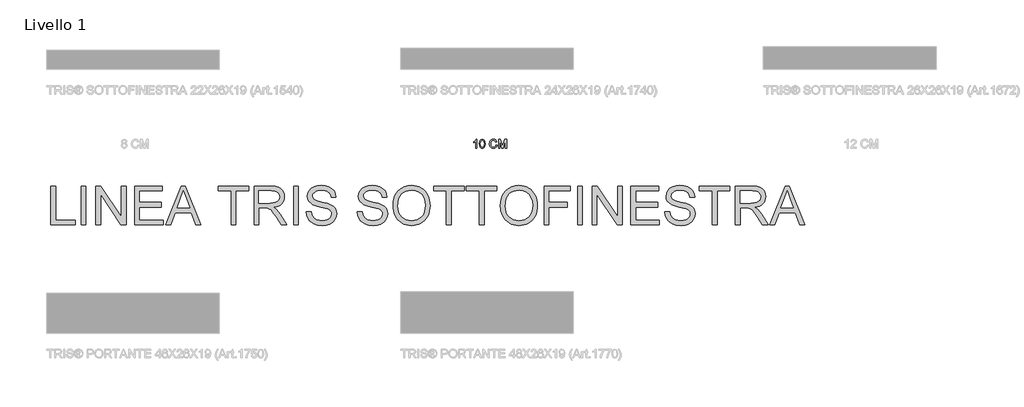
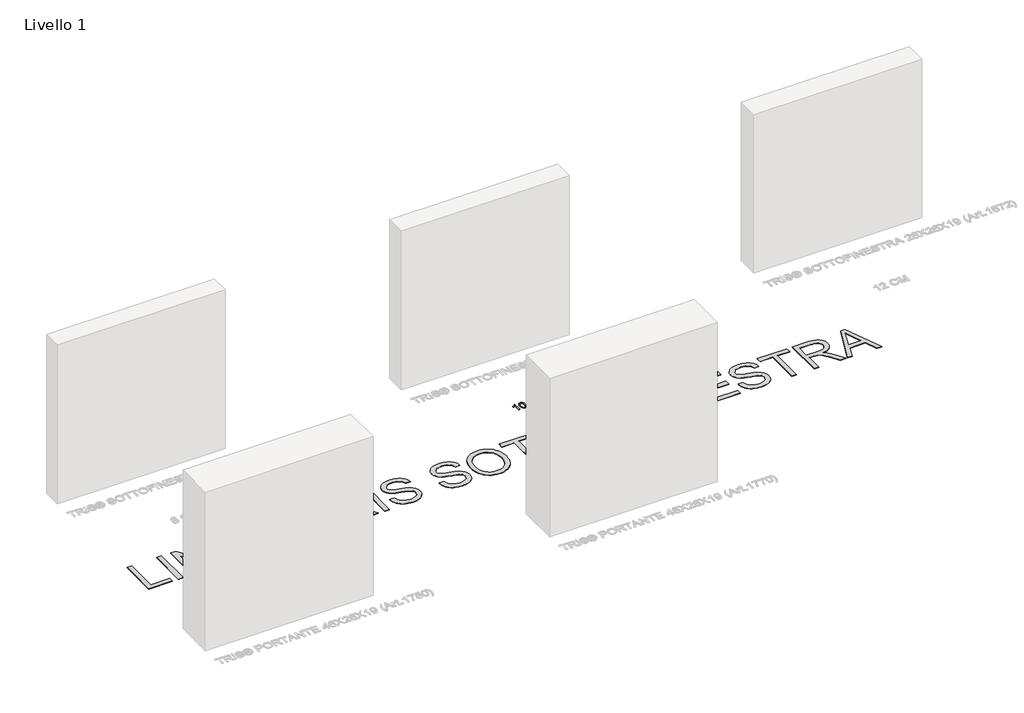
# One storey, part 14 of 19: 2 proxies.
"""IFC4 building model written with IfcOpenShell, lengths in millimetres."""

from ifc_helpers import new_model, si_unit, origin, origin_with_axes, place, context, project, spatial, polyline, outline, extrude, element, save

model = new_model("IFC4")

# Units and contexts
model_context = context("Model", 3, world=origin())
ifc_project = project(units=[si_unit("LENGTHUNIT", "METRE", prefix="MILLI")], contexts=[model_context])

# Site, building, storey
site = spatial("IfcSite", under=ifc_project)
building = spatial("IfcBuilding", under=site)
storey = spatial("IfcBuildingStorey", under=building, Name="Livello 1", Elevation=0.0)

# Proxies
placement = place(None, origin())
element("IfcBuildingElementProxy", 1, Name="100", ObjectType="100", at=placement, inside=storey, context=model_context, shape_type="SweptSolid", body=[
    extrude(outline(polyline([(-254.5753116, 5003.4256456), (-267.1323503, 5003.4256456), (-267.1323503, 5081.7109342), (-279.0272015, 5073.2373856), (-292.2464279, 5066.8975525), (-292.2464279, 5078.7678783), (-273.8400654, 5090.5155766), (-262.6687155, 5103.8819558), (-254.5753116, 5103.8819558), (-254.5753116, 5003.4256456)])), origin_with_axes(), (0.0, 0.0, 1.0), 5.0),
    extrude(outline(polyline([(-224.7523445, 5052.8444603), (-221.0612618, 5081.7477224), (-210.0983783, 5098.4127768), (-191.7901177, 5103.8819558), (-177.1238888, 5100.6445942), (-166.9948712, 5091.3126543), (-161.1087593, 5076.4502217), (-158.827891, 5052.8444603), (-162.4821854, 5024.0638256), (-173.4082807, 5007.361983), (-181.6396403, 5003.2325076), (-191.7901177, 5001.8560158), (-204.8376658, 5004.2472488), (-214.7459542, 5011.4209477), (-222.2507469, 5028.4109645), (-224.7523445, 5052.8444603)]), holes=[polyline([(-212.1953057, 5052.8689858), (-210.7237777, 5033.1167883), (-206.3091938, 5021.6848553), (-199.7363688, 5016.2310048), (-191.7901177, 5014.4130546), (-183.8438666, 5016.2371361), (-177.2710416, 5021.7093808), (-172.8564577, 5033.1474452), (-171.3849297, 5052.8689858), (-172.8074068, 5072.1766592), (-177.0748379, 5083.697497), (-183.6354002, 5089.418062), (-191.9372705, 5091.324917), (-199.7976825, 5089.6449226), (-206.1129901, 5084.6049392), (-210.6747268, 5072.3667315), (-212.1953057, 5052.8689858)])]), origin_with_axes(), (0.0, 0.0, 1.0), 5.0),
    extrude(outline(polyline([(-33.2575033, 5039.1347246), (-20.7004645, 5035.8973631), (-26.4946059, 5021.2648567), (-35.5874226, 5010.5748191), (-47.5313247, 5004.0357166), (-61.8787225, 5001.8560158), (-76.4437838, 5003.5053534), (-88.0106069, 5008.4533662), (-96.876563, 5016.528376), (-103.3390233, 5027.5587045), (-108.5997359, 5054.4140902), (-107.1128795, 5069.0619249), (-102.6523103, 5081.7109342), (-95.4510202, 5091.9595135), (-85.7420012, 5099.4060582), (-74.2272948, 5103.9402038), (-61.6089424, 5105.4515856), (-47.8409587, 5103.4956797), (-36.4580766, 5097.6279619), (-27.8159154, 5088.2101828), (-22.2700943, 5075.6040931), (-34.8271331, 5072.6119862), (-45.127829, 5088.0507673), (-62.0994517, 5092.8945469), (-81.7443502, 5087.5234697), (-92.8421238, 5073.1024955), (-96.0426971, 5054.4386156), (-92.2535126, 5032.8071543), (-80.4567632, 5018.987054), (-63.1295213, 5014.4130546), (-52.6479501, 5015.9704217), (-43.9138184, 5020.642523), (-37.3195336, 5028.3803076), (-33.2575033, 5039.1347246)])), origin_with_axes(), (0.0, 0.0, 1.0), 5.0),
    extrude(outline(polyline([(-3.4345362, 5003.4256456), (-3.4345362, 5103.8819558), (18.1723997, 5103.8819558), (38.7247405, 5033.0769344), (42.8695443, 5018.2880782), (47.3577046, 5034.3032078), (67.5666889, 5103.8819558), (89.1736247, 5103.8819558), (89.1736247, 5003.4256456), (76.616586, 5003.4256456), (76.616586, 5091.324917), (51.3798811, 5003.4256456), (34.3592074, 5003.4256456), (9.1225026, 5091.324917), (9.1225026, 5003.4256456), (-3.4345362, 5003.4256456)])), origin_with_axes(), (0.0, 0.0, 1.0), 5.0),
])
element("IfcBuildingElementProxy", 2, Name="450mm", ObjectType="450mm", at=placement, inside=storey, context=model_context, shape_type="SweptSolid", body=[
    extrude(outline(polyline([(-5187.5307666, 4113.8085904), (-5187.5307666, 4563.4647332), (-5131.3237488, 4563.4647332), (-5131.3237488, 4170.0156083), (-4906.4956774, 4170.0156083), (-4906.4956774, 4113.8085904), (-5187.5307666, 4113.8085904)])), origin_with_axes(), (0.0, 0.0, 1.0), 5.0),
    extrude(outline(polyline([(-4836.2369051, 4113.8085904), (-4836.2369051, 4563.4647332), (-4780.0298872, 4563.4647332), (-4780.0298872, 4113.8085904), (-4836.2369051, 4113.8085904)])), origin_with_axes(), (0.0, 0.0, 1.0), 5.0),
    extrude(outline(polyline([(-4667.6158515, 4113.8085904), (-4667.6158515, 4563.4647332), (-4607.4567777, 4563.4647332), (-4372.5290078, 4207.2308017), (-4372.5290078, 4563.4647332), (-4316.3219899, 4563.4647332), (-4316.3219899, 4113.8085904), (-4376.4810637, 4113.8085904), (-4611.4088336, 4470.1523012), (-4611.4088336, 4113.8085904), (-4667.6158515, 4113.8085904)])), origin_with_axes(), (0.0, 0.0, 1.0), 5.0),
    extrude(outline(polyline([(-4217.9597087, 4113.8085904), (-4217.9597087, 4563.4647332), (-3894.769356, 4563.4647332), (-3894.769356, 4507.2577154), (-4161.7526908, 4507.2577154), (-4161.7526908, 4373.766048), (-3908.8211105, 4373.766048), (-3908.8211105, 4317.5590301), (-4161.7526908, 4317.5590301), (-4161.7526908, 4170.0156083), (-3887.7434788, 4170.0156083), (-3887.7434788, 4113.8085904), (-4217.9597087, 4113.8085904)])), origin_with_axes(), (0.0, 0.0, 1.0), 5.0),
    extrude(outline(polyline([(-3855.7976933, 4113.8085904), (-3676.3084859, 4563.4647332), (-3628.4446972, 4563.4647332), (-3448.9554898, 4113.8085904), (-3508.3461083, 4113.8085904), (-3559.8326149, 4254.326135), (-3745.0303475, 4254.326135), (-3796.4070748, 4113.8085904), (-3855.7976933, 4113.8085904)]), holes=[polyline([(-3724.3918332, 4310.5331529), (-3580.3613499, 4310.5331529), (-3620.8699233, 4421.0809399), (-3652.3765915, 4507.2577154), (-3680.3703211, 4430.7415211), (-3724.3918332, 4310.5331529)])]), origin_with_axes(), (0.0, 0.0, 1.0), 5.0),
    extrude(outline(polyline([(-3100.8452289, 4113.8085904), (-3100.8452289, 4507.2577154), (-3248.3886507, 4507.2577154), (-3248.3886507, 4563.4647332), (-2897.0947892, 4563.4647332), (-2897.0947892, 4507.2577154), (-3044.638211, 4507.2577154), (-3044.638211, 4113.8085904), (-3100.8452289, 4113.8085904)])), origin_with_axes(), (0.0, 0.0, 1.0), 5.0),
    extrude(outline(polyline([(-2833.8618941, 4113.8085904), (-2833.8618941, 4563.4647332), (-2640.1013735, 4563.4647332), (-2588.0248031, 4560.4320792), (-2550.1372112, 4551.3341171), (-2522.4453748, 4534.5378793), (-2500.9560706, 4508.4103984), (-2487.165042, 4476.0117731), (-2482.5680325, 4440.4021023), (-2484.4720178, 4417.3072754), (-2490.1839736, 4396.106142), (-2499.7039001, 4376.798702), (-2513.0317971, 4359.3849555), (-2530.3391948, 4344.4206604), (-2551.7976236, 4332.4615744), (-2577.4070833, 4323.5076977), (-2607.167574, 4317.5590301), (-2575.2217885, 4293.5173565), (-2529.6633658, 4235.6636486), (-2454.6840822, 4113.8085904), (-2520.0027846, 4113.8085904), (-2578.5151684, 4207.0112431), (-2620.7802112, 4268.7072275), (-2636.492378, 4286.6973155), (-2650.4755204, 4297.8536401), (-2677.2067877, 4308.5571249), (-2709.8112492, 4310.5331529), (-2777.6548762, 4310.5331529), (-2777.6548762, 4113.8085904), (-2833.8618941, 4113.8085904)]), holes=[polyline([(-2777.6548762, 4366.7401707), (-2651.847762, 4366.7401707), (-2615.7166395, 4368.7299211), (-2587.6817426, 4374.6991723), (-2566.5766661, 4385.0458743), (-2551.2350045, 4400.1679773), (-2541.8900389, 4418.4599584), (-2538.7750504, 4438.316295), (-2540.2605019, 4452.6905263), (-2544.7168567, 4465.7336831), (-2562.5422757, 4487.8267736), (-2576.1514822, 4496.3278107), (-2593.2118765, 4502.3999799), (-2637.6862283, 4507.2577154), (-2777.6548762, 4507.2577154), (-2777.6548762, 4366.7401707)])]), origin_with_axes(), (0.0, 0.0, 1.0), 5.0),
    extrude(outline(polyline([(-2377.179874, 4113.8085904), (-2377.179874, 4563.4647332), (-2320.9728562, 4563.4647332), (-2320.9728562, 4113.8085904), (-2377.179874, 4113.8085904)])), origin_with_axes(), (0.0, 0.0, 1.0), 5.0),
    extrude(outline(polyline([(-2229.6364522, 4268.3778895), (-2173.4294343, 4268.3778895), (-2166.9798986, 4237.1868369), (-2155.3158446, 4212.115982), (-2137.1199203, 4192.2184781), (-2111.0747739, 4176.5474785), (-2079.2387677, 4166.3791679), (-2043.6702642, 4162.989731), (-2012.3557098, 4165.5558229), (-1984.9383217, 4173.2540985), (-1962.7217294, 4185.4396044), (-1947.0095626, 4201.4673868), (-1937.664597, 4219.8691473), (-1934.5496084, 4239.1765873), (-1936.8824192, 4257.9900202), (-1943.8808516, 4274.2510837), (-1958.0972751, 4288.1244468), (-1982.0840591, 4299.7747784), (-2063.9245509, 4321.2366377), (-2117.6478114, 4335.4393388), (-2152.0224646, 4348.955919), (-2180.0024718, 4367.8654089), (-2199.8313636, 4390.7818444), (-2211.6463642, 4417.2112185), (-2215.5846977, 4446.6595242), (-2210.7132399, 4479.5796014), (-2196.0988663, 4510.276647), (-2172.1258047, 4536.2943486), (-2139.1782828, 4555.1763937), (-2099.6302785, 4566.6620563), (-2055.85577, 4570.4906105), (-2008.4310987, 4566.4836648), (-1966.9345113, 4554.462828), (-1932.8480288, 4534.6751035), (-1907.6536722, 4507.3674947), (-1891.7082242, 4474.2415813), (-1885.3684678, 4436.9989431), (-1941.5754857, 4436.9989431), (-1945.3354278, 4454.9341414), (-1951.8947429, 4470.5365289), (-1961.2534309, 4483.8061056), (-1973.4114919, 4494.7428715), (-1988.5953457, 4503.291937), (-2007.0314122, 4509.3984123), (-2053.6601834, 4514.2835926), (-2101.3867479, 4509.453302), (-2119.6307005, 4503.4154388), (-2134.1284335, 4494.9624302), (-2153.0653683, 4473.637795), (-2157.799602, 4461.4728728), (-2159.3776798, 4448.3062142), (-2154.9041721, 4426.7071307), (-2141.4836488, 4409.3345515), (-2109.7574219, 4393.800776), (-2049.7081274, 4377.9376626), (-1987.7376947, 4362.8704493), (-1950.2480529, 4349.7243743), (-1918.2062104, 4329.3328634), (-1895.852394, 4304.1659516), (-1882.7200414, 4274.4980872), (-1878.3425906, 4240.6037186), (-1883.3787174, 4205.954617), (-1898.487098, 4173.3638779), (-1923.0502234, 4145.3152586), (-1956.4505851, 4124.2925166), (-1996.6160981, 4111.160164), (-2041.4746776, 4106.7827132), (-2096.5427348, 4111.5032244), (-2141.8678764, 4125.6647582), (-2161.0072168, 4136.299631), (-2177.9715542, 4149.3222042), (-2192.7608885, 4164.7324779), (-2205.3752198, 4182.5304521), (-2222.9673578, 4222.9841358), (-2229.6364522, 4268.3778895)])), origin_with_axes(), (0.0, 0.0, 1.0), 5.0),
    extrude(outline(polyline([(-1639.4627647, 4268.3778895), (-1583.2557469, 4268.3778895), (-1576.8062111, 4237.1868369), (-1565.1421571, 4212.115982), (-1546.9462329, 4192.2184781), (-1520.9010864, 4176.5474785), (-1489.0650802, 4166.3791679), (-1453.4965767, 4162.989731), (-1422.1820224, 4165.5558229), (-1394.7646343, 4173.2540985), (-1372.548042, 4185.4396044), (-1356.8358751, 4201.4673868), (-1347.4909095, 4219.8691473), (-1344.375921, 4239.1765873), (-1346.7087318, 4257.9900202), (-1353.7071642, 4274.2510837), (-1367.9235877, 4288.1244468), (-1391.9103716, 4299.7747784), (-1473.7508634, 4321.2366377), (-1527.4741239, 4335.4393388), (-1561.8487772, 4348.955919), (-1589.8287844, 4367.8654089), (-1609.6576761, 4390.7818444), (-1621.4726767, 4417.2112185), (-1625.4110103, 4446.6595242), (-1620.5395524, 4479.5796014), (-1605.9251789, 4510.276647), (-1581.9521173, 4536.2943486), (-1549.0045954, 4555.1763937), (-1509.4565911, 4566.6620563), (-1465.6820826, 4570.4906105), (-1418.2574113, 4566.4836648), (-1376.7608239, 4554.462828), (-1342.6743413, 4534.6751035), (-1317.4799847, 4507.3674947), (-1301.5345368, 4474.2415813), (-1295.1947804, 4436.9989431), (-1351.4017982, 4436.9989431), (-1355.1617403, 4454.9341414), (-1361.7210554, 4470.5365289), (-1371.0797434, 4483.8061056), (-1383.2378044, 4494.7428715), (-1398.4216582, 4503.291937), (-1416.8577248, 4509.3984123), (-1463.4864959, 4514.2835926), (-1511.2130604, 4509.453302), (-1529.4570131, 4503.4154388), (-1543.9547461, 4494.9624302), (-1562.8916808, 4473.637795), (-1567.6259145, 4461.4728728), (-1569.2039924, 4448.3062142), (-1564.7304846, 4426.7071307), (-1551.3099613, 4409.3345515), (-1519.5837345, 4393.800776), (-1459.53444, 4377.9376626), (-1397.5640072, 4362.8704493), (-1360.0743654, 4349.7243743), (-1328.032523, 4329.3328634), (-1305.6787066, 4304.1659516), (-1292.546354, 4274.4980872), (-1288.1689031, 4240.6037186), (-1293.20503, 4205.954617), (-1308.3134105, 4173.3638779), (-1332.876536, 4145.3152586), (-1366.2768977, 4124.2925166), (-1406.4424107, 4111.160164), (-1451.3009901, 4106.7827132), (-1506.3690474, 4111.5032244), (-1551.694189, 4125.6647582), (-1570.8335294, 4136.299631), (-1587.7978667, 4149.3222042), (-1602.5872011, 4164.7324779), (-1615.2015324, 4182.5304521), (-1632.7936703, 4222.9841358), (-1639.4627647, 4268.3778895)])), origin_with_axes(), (0.0, 0.0, 1.0), 5.0),
    extrude(outline(polyline([(-1224.9360081, 4332.7085779), (-1221.1897884, 4385.4506856), (-1209.9511293, 4432.1412076), (-1191.2200308, 4472.780144), (-1164.9964929, 4507.3674947), (-1132.8517323, 4534.9838578), (-1096.3569658, 4554.7098315), (-1055.5121931, 4566.5454157), (-1010.3174145, 4570.4906105), (-980.0663474, 4568.6380842), (-951.3384685, 4563.0805056), (-924.1337779, 4553.8178744), (-898.4522755, 4540.8501909), (-875.0143881, 4524.5685437), (-854.5405428, 4505.3640219), (-837.0307393, 4483.2366253), (-822.4849779, 4458.1863541), (-811.054205, 4430.7826884), (-802.8893672, 4401.5951086), (-797.9904645, 4370.6236146), (-796.3574969, 4337.8682065), (-798.0762296, 4304.6805423), (-803.2324276, 4273.2905146), (-811.8260909, 4243.6981235), (-823.8572195, 4215.9033689), (-839.0410734, 4190.6404002), (-857.0929122, 4168.6433666), (-878.0127361, 4149.9122681), (-901.8005451, 4134.4471048), (-927.5197841, 4122.3439334), (-954.2338984, 4113.6988111), (-981.9428878, 4108.5117376), (-1010.6467525, 4106.7827132), (-1041.4261326, 4108.6935597), (-1070.531378, 4114.4260991), (-1097.9624885, 4123.9803316), (-1123.7194642, 4137.3562571), (-1147.1299067, 4154.0358543), (-1167.5214176, 4173.501102), (-1184.8939968, 4195.7520003), (-1199.2476444, 4220.7885492), (-1210.4863035, 4247.6055816), (-1218.5139171, 4275.1979305), (-1223.3304853, 4303.5655959), (-1224.9360081, 4332.7085779)]), holes=[polyline([(-1168.7289902, 4332.1596812), (-1165.9193254, 4294.8964593), (-1157.4903311, 4261.8185744), (-1143.4420073, 4232.9260266), (-1123.7743539, 4208.2188157), (-1099.8664738, 4188.4310912), (-1073.0974698, 4174.2970022), (-1043.4673421, 4165.8165488), (-1010.9760905, 4162.989731), (-977.929081, 4165.8439936), (-947.9490317, 4174.4067815), (-921.0359424, 4188.6780947), (-897.1898131, 4208.657933), (-877.6662451, 4233.8865957), (-863.7208394, 4263.9043817), (-855.3535959, 4298.7112911), (-852.5645148, 4338.3073238), (-857.3399157, 4388.0648059), (-871.6661185, 4431.0708591), (-895.1726179, 4466.2414125), (-927.4889087, 4492.4923952), (-966.4742939, 4508.8357933), (-1009.9880765, 4514.2835926), (-1041.3506593, 4511.6591804), (-1070.4490435, 4503.785944), (-1097.2832289, 4490.6638833), (-1121.8532155, 4472.2929982), (-1142.361367, 4447.788193), (-1157.0100465, 4416.2643718), (-1165.7992543, 4377.7215345), (-1168.7289902, 4332.1596812)])]), origin_with_axes(), (0.0, 0.0, 1.0), 5.0),
    extrude(outline(polyline([(-606.6588117, 4113.8085904), (-606.6588117, 4507.2577154), (-754.2022335, 4507.2577154), (-754.2022335, 4563.4647332), (-402.908372, 4563.4647332), (-402.908372, 4507.2577154), (-550.4517938, 4507.2577154), (-550.4517938, 4113.8085904), (-606.6588117, 4113.8085904)])), origin_with_axes(), (0.0, 0.0, 1.0), 5.0),
    extrude(outline(polyline([(-227.2614412, 4113.8085904), (-227.2614412, 4507.2577154), (-374.804863, 4507.2577154), (-374.804863, 4563.4647332), (-23.5110015, 4563.4647332), (-23.5110015, 4507.2577154), (-171.0544233, 4507.2577154), (-171.0544233, 4113.8085904), (-227.2614412, 4113.8085904)])), origin_with_axes(), (0.0, 0.0, 1.0), 5.0),
    extrude(outline(polyline([(18.6442619, 4332.7085779), (22.3904816, 4385.4506856), (33.6291407, 4432.1412076), (52.3602392, 4472.780144), (78.5837771, 4507.3674947), (110.7285376, 4534.9838578), (147.2233042, 4554.7098315), (188.0680768, 4566.5454157), (233.2628555, 4570.4906105), (263.5139226, 4568.6380842), (292.2418015, 4563.0805056), (319.4464921, 4553.8178744), (345.1279945, 4540.8501909), (368.5658819, 4524.5685437), (389.0397272, 4505.3640219), (406.5495306, 4483.2366253), (421.0952921, 4458.1863541), (432.526065, 4430.7826884), (440.6909028, 4401.5951086), (445.5898055, 4370.6236146), (447.222773, 4337.8682065), (445.5040404, 4304.6805423), (440.3478424, 4273.2905146), (431.7541791, 4243.6981235), (419.7230504, 4215.9033689), (404.5391966, 4190.6404002), (386.4873578, 4168.6433666), (365.5675339, 4149.9122681), (341.7797249, 4134.4471048), (316.0604858, 4122.3439334), (289.3463716, 4113.6988111), (261.6373821, 4108.5117376), (232.9335175, 4106.7827132), (202.1541373, 4108.6935597), (173.048892, 4114.4260991), (145.6177815, 4123.9803316), (119.8608058, 4137.3562571), (96.4503633, 4154.0358543), (76.0588524, 4173.501102), (58.6862732, 4195.7520003), (44.3326256, 4220.7885492), (33.0939665, 4247.6055816), (25.0663528, 4275.1979305), (20.2497847, 4303.5655959), (18.6442619, 4332.7085779)]), holes=[polyline([(74.8512798, 4332.1596812), (77.6609445, 4294.8964593), (86.0899389, 4261.8185744), (100.1382627, 4232.9260266), (119.8059161, 4208.2188157), (143.7137962, 4188.4310912), (170.4828001, 4174.2970022), (200.1129279, 4165.8165488), (232.6041795, 4162.989731), (265.6511889, 4165.8439936), (295.6312383, 4174.4067815), (322.5443276, 4188.6780947), (346.3904568, 4208.657933), (365.9140249, 4233.8865957), (379.8594306, 4263.9043817), (388.226674, 4298.7112911), (391.0157552, 4338.3073238), (386.2403543, 4388.0648059), (371.9141515, 4431.0708591), (348.4076521, 4466.2414125), (316.0913613, 4492.4923952), (277.1059761, 4508.8357933), (233.5921935, 4514.2835926), (202.2296106, 4511.6591804), (173.1312265, 4503.785944), (146.2970411, 4490.6638833), (121.7270544, 4472.2929982), (101.218903, 4447.788193), (86.5702234, 4416.2643718), (77.7810157, 4377.7215345), (74.8512798, 4332.1596812)])]), origin_with_axes(), (0.0, 0.0, 1.0), 5.0),
    extrude(outline(polyline([(524.5074226, 4113.8085904), (524.5074226, 4563.4647332), (826.6201435, 4563.4647332), (826.6201435, 4507.2577154), (580.7144404, 4507.2577154), (580.7144404, 4373.766048), (791.4907574, 4373.766048), (791.4907574, 4317.5590301), (580.7144404, 4317.5590301), (580.7144404, 4113.8085904), (524.5074226, 4113.8085904)])), origin_with_axes(), (0.0, 0.0, 1.0), 5.0),
    extrude(outline(polyline([(910.9306703, 4113.8085904), (910.9306703, 4563.4647332), (967.1376882, 4563.4647332), (967.1376882, 4113.8085904), (910.9306703, 4113.8085904)])), origin_with_axes(), (0.0, 0.0, 1.0), 5.0),
    extrude(outline(polyline([(1079.5517239, 4113.8085904), (1079.5517239, 4563.4647332), (1139.7107977, 4563.4647332), (1374.6385676, 4207.2308017), (1374.6385676, 4563.4647332), (1430.8455855, 4563.4647332), (1430.8455855, 4113.8085904), (1370.6865117, 4113.8085904), (1135.7587417, 4470.1523012), (1135.7587417, 4113.8085904), (1079.5517239, 4113.8085904)])), origin_with_axes(), (0.0, 0.0, 1.0), 5.0),
    extrude(outline(polyline([(1529.2078667, 4113.8085904), (1529.2078667, 4563.4647332), (1852.3982194, 4563.4647332), (1852.3982194, 4507.2577154), (1585.4148846, 4507.2577154), (1585.4148846, 4373.766048), (1838.3464649, 4373.766048), (1838.3464649, 4317.5590301), (1585.4148846, 4317.5590301), (1585.4148846, 4170.0156083), (1859.4240966, 4170.0156083), (1859.4240966, 4113.8085904), (1529.2078667, 4113.8085904)])), origin_with_axes(), (0.0, 0.0, 1.0), 5.0),
    extrude(outline(polyline([(1922.6569917, 4268.3778895), (1978.8640095, 4268.3778895), (1985.3135453, 4237.1868369), (1996.9775993, 4212.115982), (2015.1735235, 4192.2184781), (2041.2186699, 4176.5474785), (2073.0546762, 4166.3791679), (2108.6231796, 4162.989731), (2139.937734, 4165.5558229), (2167.3551221, 4173.2540985), (2189.5717144, 4185.4396044), (2205.2838812, 4201.4673868), (2214.6288469, 4219.8691473), (2217.7438354, 4239.1765873), (2215.4110246, 4257.9900202), (2208.4125922, 4274.2510837), (2194.1961687, 4288.1244468), (2170.2093847, 4299.7747784), (2088.3688929, 4321.2366377), (2034.6456325, 4335.4393388), (2000.2709792, 4348.955919), (1972.290972, 4367.8654089), (1952.4620802, 4390.7818444), (1940.6470797, 4417.2112185), (1936.7087461, 4446.6595242), (1941.580204, 4479.5796014), (1956.1945775, 4510.276647), (1980.1676391, 4536.2943486), (2013.115161, 4555.1763937), (2052.6631653, 4566.6620563), (2096.4376738, 4570.4906105), (2143.8623451, 4566.4836648), (2185.3589325, 4554.462828), (2219.445415, 4534.6751035), (2244.6397717, 4507.3674947), (2260.5852196, 4474.2415813), (2266.924976, 4436.9989431), (2210.7179582, 4436.9989431), (2206.958016, 4454.9341414), (2200.398701, 4470.5365289), (2191.0400129, 4483.8061056), (2178.881952, 4494.7428715), (2163.6980981, 4503.291937), (2145.2620316, 4509.3984123), (2098.6332604, 4514.2835926), (2050.906696, 4509.453302), (2032.6627433, 4503.4154388), (2018.1650103, 4494.9624302), (1999.2280756, 4473.637795), (1994.4938419, 4461.4728728), (1992.915764, 4448.3062142), (1997.3892718, 4426.7071307), (2010.8097951, 4409.3345515), (2042.5360219, 4393.800776), (2102.5853164, 4377.9376626), (2164.5557492, 4362.8704493), (2202.045391, 4349.7243743), (2234.0872334, 4329.3328634), (2256.4410498, 4304.1659516), (2269.5734024, 4274.4980872), (2273.9508532, 4240.6037186), (2268.9147264, 4205.954617), (2253.8063459, 4173.3638779), (2229.2432204, 4145.3152586), (2195.8428587, 4124.2925166), (2155.6773457, 4111.160164), (2110.8187663, 4106.7827132), (2055.750709, 4111.5032244), (2010.4255674, 4125.6647582), (1991.286227, 4136.299631), (1974.3218897, 4149.3222042), (1959.5325553, 4164.7324779), (1946.918224, 4182.5304521), (1929.3260861, 4222.9841358), (1922.6569917, 4268.3778895)])), origin_with_axes(), (0.0, 0.0, 1.0), 5.0),
    extrude(outline(polyline([(2470.6754157, 4113.8085904), (2470.6754157, 4507.2577154), (2323.1319939, 4507.2577154), (2323.1319939, 4563.4647332), (2674.4258554, 4563.4647332), (2674.4258554, 4507.2577154), (2526.8824336, 4507.2577154), (2526.8824336, 4113.8085904), (2470.6754157, 4113.8085904)])), origin_with_axes(), (0.0, 0.0, 1.0), 5.0),
    extrude(outline(polyline([(2737.6587505, 4113.8085904), (2737.6587505, 4563.4647332), (2931.419271, 4563.4647332), (2983.4958415, 4560.4320792), (3021.3834334, 4551.3341171), (3049.0752698, 4534.5378793), (3070.564574, 4508.4103984), (3084.3556026, 4476.0117731), (3088.9526121, 4440.4021023), (3087.0486268, 4417.3072754), (3081.336671, 4396.106142), (3071.8167445, 4376.798702), (3058.4888475, 4359.3849555), (3041.1814498, 4344.4206604), (3019.723021, 4332.4615744), (2994.1135613, 4323.5076977), (2964.3530706, 4317.5590301), (2996.2988561, 4293.5173565), (3041.8572788, 4235.6636486), (3116.8365624, 4113.8085904), (3051.51786, 4113.8085904), (2993.0054762, 4207.0112431), (2950.7404334, 4268.7072275), (2935.0282666, 4286.6973155), (2921.0451242, 4297.8536401), (2894.3138569, 4308.5571249), (2861.7093954, 4310.5331529), (2793.8657684, 4310.5331529), (2793.8657684, 4113.8085904), (2737.6587505, 4113.8085904)]), holes=[polyline([(2793.8657684, 4366.7401707), (2919.6728826, 4366.7401707), (2955.8040051, 4368.7299211), (2983.838902, 4374.6991723), (3004.9439785, 4385.0458743), (3020.2856401, 4400.1679773), (3029.6306057, 4418.4599584), (3032.7455942, 4438.316295), (3031.2601427, 4452.6905263), (3026.8037879, 4465.7336831), (3008.9783689, 4487.8267736), (2995.3691624, 4496.3278107), (2978.3087681, 4502.3999799), (2933.8344163, 4507.2577154), (2793.8657684, 4507.2577154), (2793.8657684, 4366.7401707)])]), origin_with_axes(), (0.0, 0.0, 1.0), 5.0),
    extrude(outline(polyline([(3134.9501521, 4113.8085904), (3314.4393595, 4563.4647332), (3362.3031481, 4563.4647332), (3541.7923555, 4113.8085904), (3482.4017371, 4113.8085904), (3430.9152305, 4254.326135), (3245.7174978, 4254.326135), (3194.3407706, 4113.8085904), (3134.9501521, 4113.8085904)]), holes=[polyline([(3266.3560122, 4310.5331529), (3410.3864954, 4310.5331529), (3369.877922, 4421.0809399), (3338.3712538, 4507.2577154), (3310.3775242, 4430.7415211), (3266.3560122, 4310.5331529)])]), origin_with_axes(), (0.0, 0.0, 1.0), 5.0),
])

save(model, "model.ifc")
